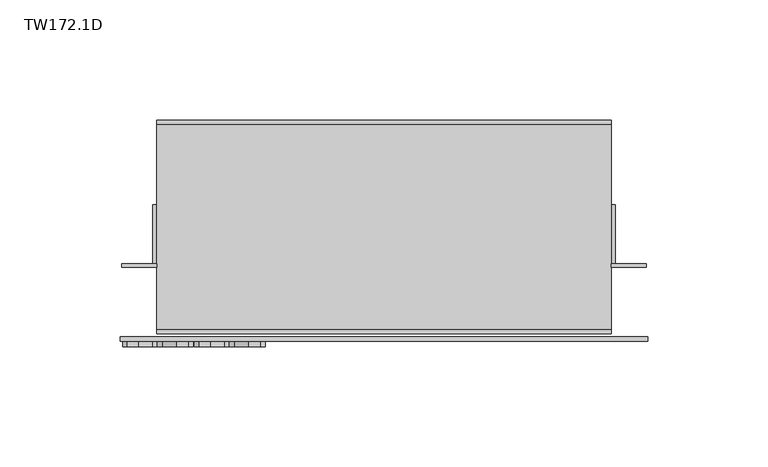
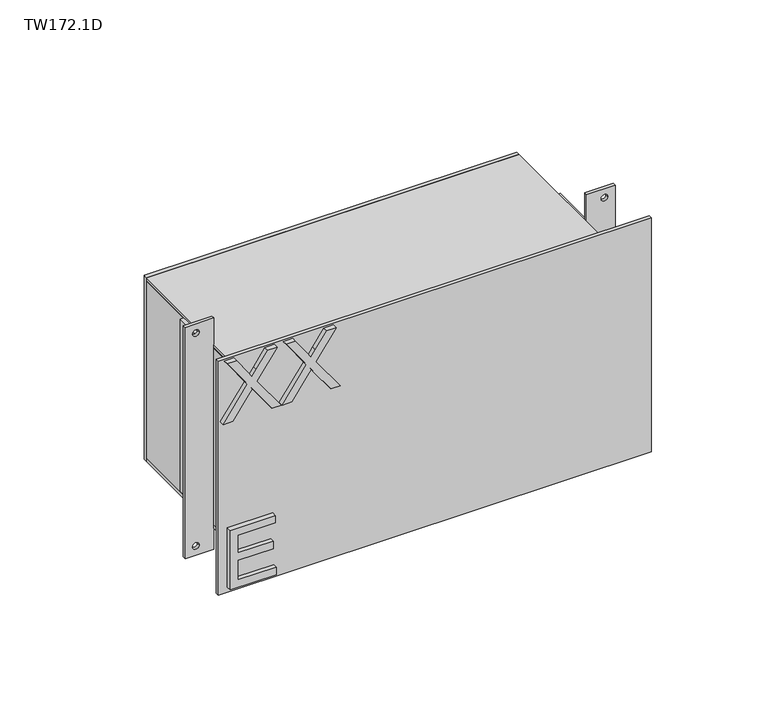
"""IFC4 building model written with IfcOpenShell, lengths in millimetres: furniture geometry, TW172.1D."""

from ifc_helpers import new_model, si_unit, point, frame, frame_2d, origin, place, context, project, spatial, polyline, circle_curve, trimmed, segment, composite_curve, outline, extrude, source, transform, mapped, element, save


def tw172_1d_a70ccd04(model_context):
    return source(origin(), model_context, "Body", "SweptSolid", [
        extrude(outline(polyline([(1964.659984, -86.6045977), (1964.659984, -63.1817963), (1968.6468438, -63.1817963), (1968.6468438, -82.6177379), (1979.1123508, -82.6177379), (1979.1123508, -64.6768688), (1983.0992107, -64.6768688), (1983.0992107, -82.6177379), (1992.5680027, -82.6177379), (1992.5680027, -63.6801538), (1996.5548625, -63.6801538), (1996.5548625, -86.6045977), (1964.659984, -86.6045977)])), frame((0.0, -30.559375, 0.0), z_axis=(0.0, 1.0, 0.0), x_axis=(0.0, 0.0, 1.0)), (0.0, 0.0, 1.0), 2.38125),
        extrude(outline(polyline([(2054.6223399, -90.0931001), (2054.6223399, -85.2419015), (2065.9443988, -77.2448214), (2068.5763492, -75.368194), (2066.1780038, -73.662877), (2054.6223399, -65.471126), (2054.6223399, -60.690009), (2071.9558358, -72.9854223), (2086.5172183, -62.6834389), (2086.5172183, -67.5346374), (2078.4033357, -73.2735352), (2075.1640121, -75.5628649), (2078.3488278, -77.5173606), (2086.5172183, -83.3185531), (2086.5172183, -88.0996701), (2072.0025568, -77.7976867), (2054.6223399, -90.0931001)])), frame((0.0, -30.559375, 0.0), z_axis=(0.0, 1.0, 0.0), x_axis=(0.0, 0.0, 1.0)), (0.0, 0.0, 1.0), 2.38125),
        extrude(outline(polyline([(2054.6223399, -60.1916515), (2054.6223399, -55.3404529), (2065.9443988, -47.3433728), (2068.5763492, -45.4667454), (2066.1780038, -43.7614284), (2054.6223399, -35.5696774), (2054.6223399, -30.7885604), (2071.9558358, -43.0839738), (2086.5172183, -32.7819903), (2086.5172183, -37.6331889), (2078.4033357, -43.3720867), (2075.1640121, -45.6614163), (2078.3488278, -47.615912), (2086.5172183, -53.4171045), (2086.5172183, -58.1982216), (2072.0025568, -47.8962381), (2054.6223399, -60.1916515)])), frame((0.0, -30.559375, 0.0), z_axis=(0.0, 1.0, 0.0), x_axis=(0.0, 0.0, 1.0)), (0.0, 0.0, 1.0), 2.38125),
        extrude(outline(polyline([(113.2435643, -25.1023438), (-75.7681545, -25.1023437), (-75.7681545, -23.5148437), (113.2435643, -23.5148437), (113.2435643, -25.1023438)])), frame((0.0, 0.0, 2059.61996), z_axis=(0.0, 0.0, 1.0), x_axis=(1.0, 0.0, 0.0)), (0.0, 0.0, 1.0), 12.7),
        extrude(outline(polyline([(113.2435643, -25.1023438), (-75.7681545, -25.1023437), (-75.7681545, -23.5148437), (113.2435643, -23.5148437), (113.2435643, -25.1023438)])), frame((0.0, 0.0, 1973.89496), z_axis=(0.0, 0.0, 1.0), x_axis=(1.0, 0.0, 0.0)), (0.0, 0.0, 1.0), 12.7),
        extrude(outline(polyline([(113.2435643, 63.7976562), (113.2435643, 62.0117187), (-75.7681545, 62.0117187), (-75.7681545, 63.7976562), (113.2435643, 63.7976562)])), frame((0.0, 0.0, 1973.89496), z_axis=(0.0, 0.0, 1.0), x_axis=(1.0, 0.0, 0.0)), (0.0, 0.0, 1.0), 98.425),
        extrude(outline(polyline([(-73.982217, -23.5148437), (-75.7681545, -23.5148437), (-75.7681545, 62.0117188), (-73.982217, 62.0117188), (-73.982217, -23.5148437)])), frame((0.0, 0.0, 1975.6808975), z_axis=(0.0, 0.0, 1.0), x_axis=(1.0, 0.0, 0.0)), (0.0, 0.0, 1.0), 94.853125),
        extrude(outline(polyline([(113.2435643, -23.5148437), (111.4576268, -23.5148437), (111.4576268, 62.0117187), (113.2435643, 62.0117187), (113.2435643, -23.5148437)])), frame((0.0, 0.0, 1975.6808975), z_axis=(0.0, 0.0, 1.0), x_axis=(1.0, 0.0, 0.0)), (0.0, 0.0, 1.0), 94.853125),
        extrude(outline(polyline([(113.2435643, -23.5148437), (-75.7681545, -23.5148437), (-75.7681545, 62.0117188), (113.2435643, 62.0117187), (113.2435643, -23.5148437)])), frame((0.0, 0.0, 2070.5340225), z_axis=(0.0, 0.0, 1.0), x_axis=(1.0, 0.0, 0.0)), (0.0, 0.0, 1.0), 1.7859375),
        extrude(outline(polyline([(113.2435643, -23.5148437), (-75.7681545, -23.5148437), (-75.7681545, 62.0117188), (113.2435643, 62.0117187), (113.2435643, -23.5148437)])), frame((0.0, 0.0, 1973.89496), z_axis=(0.0, 0.0, 1.0), x_axis=(1.0, 0.0, 0.0)), (0.0, 0.0, 1.0), 1.7859375),
        extrude(outline(polyline([(-75.7681545, 28.6742188), (-75.7681545, 4.0679688), (-77.554092, 4.0679688), (-77.554092, 28.6742188), (-75.7681545, 28.6742188)])), frame((0.0, 0.0, 1978.65746), z_axis=(0.0, 0.0, 1.0), x_axis=(1.0, 0.0, 0.0)), (0.0, 0.0, 1.0), 92.1742188),
        extrude(outline(polyline([(115.0295018, 28.6742188), (115.0295018, 4.0679688), (113.2435643, 4.0679688), (113.2435643, 28.6742188), (115.0295018, 28.6742188)])), frame((0.0, 0.0, 1978.65746), z_axis=(0.0, 0.0, 1.0), x_axis=(1.0, 0.0, 0.0)), (0.0, 0.0, 1.0), 92.1742188),
        extrude(outline(polyline([(2086.7066787, -75.7681545), (2086.7066787, -90.3533107), (1962.78246, -90.3533107), (1962.78246, -75.7681545), (2086.7066787, -75.7681545)]), holes=[composite_curve([segment(trimmed(circle_curve(frame_2d((2081.84496, -84.8962795)), 1.6867188), [point((2081.84496, -86.5829982))], [point((2081.84496, -83.2095607))], True, "CARTESIAN"), True, "CONTINUOUS"), segment(trimmed(circle_curve(frame_2d((2081.84496, -84.8962795)), 1.6867188), [point((2081.84496, -83.2095607))], [point((2081.84496, -86.5829982))], True, "CARTESIAN"), True, "CONTINUOUS")], self_intersect=False), composite_curve([segment(trimmed(circle_curve(frame_2d((1967.6441788, -84.8962795)), 1.6867188), [point((1967.6441788, -86.5829982))], [point((1967.6441788, -83.2095607))], True, "CARTESIAN"), True, "CONTINUOUS"), segment(trimmed(circle_curve(frame_2d((1967.6441788, -84.8962795)), 1.6867188), [point((1967.6441788, -83.2095607))], [point((1967.6441788, -86.5829982))], True, "CARTESIAN"), True, "CONTINUOUS")], self_intersect=False)]), frame((0.0, 2.4804688, 0.0), z_axis=(0.0, 1.0, 0.0), x_axis=(0.0, 0.0, 1.0)), (0.0, 0.0, 1.0), 1.5875),
        extrude(outline(polyline([(2086.7066787, 127.8287205), (2086.7066787, 113.2435643), (1962.78246, 113.2435643), (1962.78246, 127.8287205), (2086.7066787, 127.8287205)]), holes=[composite_curve([segment(trimmed(circle_curve(frame_2d((2081.84496, 122.3716893)), 1.6867188), [point((2081.84496, 120.6849705))], [point((2081.84496, 124.058408))], True, "CARTESIAN"), True, "CONTINUOUS"), segment(trimmed(circle_curve(frame_2d((2081.84496, 122.3716893)), 1.6867188), [point((2081.84496, 124.058408))], [point((2081.84496, 120.6849705))], True, "CARTESIAN"), True, "CONTINUOUS")], self_intersect=False), composite_curve([segment(trimmed(circle_curve(frame_2d((1967.6441788, 122.3716893)), 1.6867188), [point((1967.6441788, 120.6849705))], [point((1967.6441788, 124.058408))], True, "CARTESIAN"), True, "CONTINUOUS"), segment(trimmed(circle_curve(frame_2d((1967.6441788, 122.3716893)), 1.6867188), [point((1967.6441788, 124.058408))], [point((1967.6441788, 120.6849705))], True, "CARTESIAN"), True, "CONTINUOUS")], self_intersect=False)]), frame((0.0, 2.4804688, 0.0), z_axis=(0.0, 1.0, 0.0), x_axis=(0.0, 0.0, 1.0)), (0.0, 0.0, 1.0), 1.5875),
        extrude(outline(polyline([(128.5728612, -28.178125), (-91.0974513, -28.178125), (-91.0974513, -26.2929687), (128.5728612, -26.2929687), (128.5728612, -28.178125)])), frame((0.0, 0.0, 1961.98871), z_axis=(0.0, 0.0, 1.0), x_axis=(1.0, 0.0, 0.0)), (0.0, 0.0, 1.0), 125.5117188),
    ])


if __name__ == "__main__":
    model = new_model("IFC4")
    model_context = context("Model", 3, world=origin())
    ifc_project = project(units=[si_unit("LENGTHUNIT", "METRE", prefix="MILLI")], contexts=[model_context])
    site = spatial("IfcSite", under=ifc_project)
    building = spatial("IfcBuilding", under=site)
    placement = place(None, origin())
    tw172_1d_shape = tw172_1d_a70ccd04(model_context)
    element("IfcFurniture", 1, ObjectType="TW172.1D", at=placement, inside=building, context=model_context, shape_type="MappedRepresentation", body=[
        mapped(tw172_1d_shape, transform((0.0, 0.0, 0.0), x_axis=(1.0, 0.0, 0.0), y_axis=(0.0, 1.0, 0.0), z_axis=(0.0, 0.0, 1.0))),
    ])
    save(model, "model.ifc")
